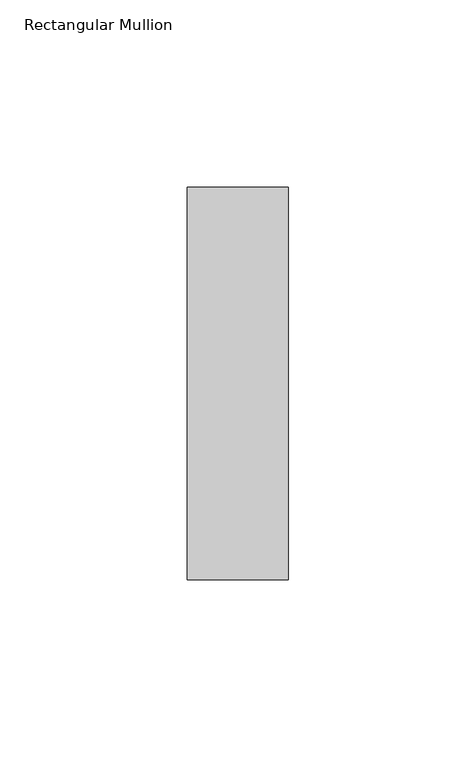
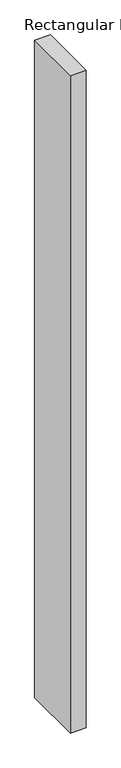
"""IFC4 building model written with IfcOpenShell, lengths in millimetres: member geometry, Rectangular Mullion."""

from ifc_helpers import new_model, si_unit, frame, origin, place, context, project, spatial, polyline, outline, extrude, source, transform, mapped, element, save


def rectangular_mullion_fb3c05dd(model_context):
    return source(origin(), model_context, "Body", "SweptSolid", [
        extrude(outline(polyline([(0.0, 52.3975), (0.0, -52.3975), (-27.0, -52.3975), (-27.0, 52.3975), (0.0, 52.3975)])), frame((0.0, 0.0, -1180.0), z_axis=(0.0, 0.0, 1.0), x_axis=(1.0, 0.0, 0.0)), (0.0, 0.0, 1.0), 1180.0),
    ])


if __name__ == "__main__":
    model = new_model("IFC4")
    model_context = context("Model", 3, world=origin())
    ifc_project = project(units=[si_unit("LENGTHUNIT", "METRE", prefix="MILLI")], contexts=[model_context])
    site = spatial("IfcSite", under=ifc_project)
    building = spatial("IfcBuilding", under=site)
    placement = place(None, origin())
    rectangular_mullion_shape = rectangular_mullion_fb3c05dd(model_context)
    element("IfcMember", 1, ObjectType="Rectangular Mullion", at=placement, inside=building, context=model_context, shape_type="MappedRepresentation", body=[
        mapped(rectangular_mullion_shape, transform((0.0, 0.0, 0.0), x_axis=(1.0, 0.0, 0.0), y_axis=(0.0, 1.0, 0.0), z_axis=(0.0, 0.0, 1.0))),
    ])
    save(model, "model.ifc")
